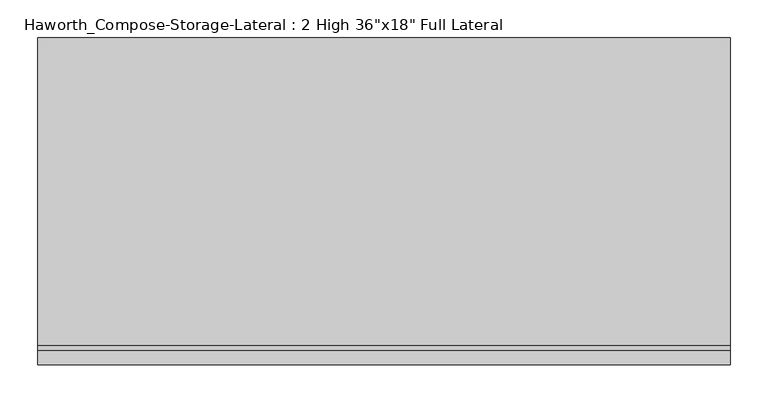
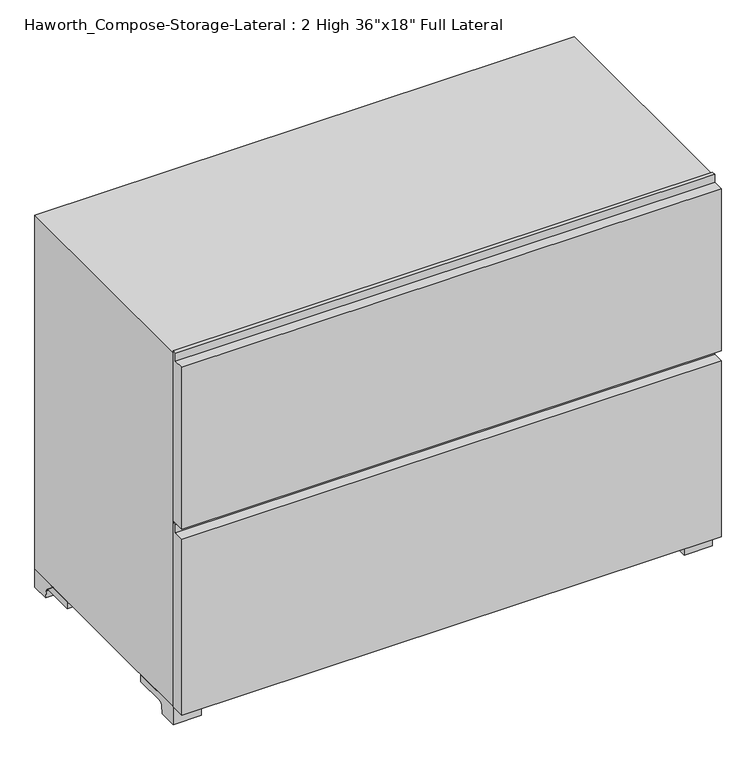
"""IFC4 building model written with IfcOpenShell, lengths in millimetres: furniture geometry."""

import ifcopenshell
import ifcopenshell.guid

model = None  # the IFC model being written
_history = None  # IfcOwnerHistory: only IFC2X3 demands one
_inside = {}  # id of a spatial element -> (the spatial element, [elements in it])
_under = {}  # id of a project, library or spatial element -> (it, [spatial elements below it])
_declared = {}  # id of a project -> (the project, [libraries it declares])
_typed = {}  # id of a type object -> (the type object, [elements of that type])
_made_of = {}  # id of a material, layer set ... -> (it, [elements and type objects made of it])


def new_model(schema):
    """Start an empty IFC model of exactly this schema.

    Asked for "IFC4X3", IfcOpenShell would pick the latest addendum, in which some entities
    have other attributes; the version numbers below select the first issue.
    IFC2X3 requires an IfcOwnerHistory on every rooted entity: one is made here for all.
    """
    global model, _history
    if schema == "IFC4X3":
        model = ifcopenshell.file(schema_version=(4, 3, 0, 0))
    else:
        model = ifcopenshell.file(schema=schema)
    _inside.clear()
    _under.clear()
    _declared.clear()
    _typed.clear()
    _made_of.clear()
    _history = None
    if model.schema == "IFC2X3":
        org = make("IfcOrganization", Name="unknown")
        user = make(
            "IfcPersonAndOrganization",
            ThePerson=make("IfcPerson", FamilyName="unknown"),
            TheOrganization=org,
        )
        app = make(
            "IfcApplication",
            ApplicationDeveloper=org,
            Version="unknown",
            ApplicationFullName="unknown",
            ApplicationIdentifier="unknown",
        )
        _history = make(
            "IfcOwnerHistory",
            OwningUser=user,
            OwningApplication=app,
            ChangeAction="ADDED",
            CreationDate=0,
        )
    return model


def make(cls, **values):
    """One entity of the class cls with the attributes given. An attribute that is None is left unset."""
    return model.create_entity(
        cls, **{name: value for name, value in values.items() if value is not None}
    )


def rooted(cls, **values):
    """An entity with a GlobalId (a new one), such as an element, a storey or a relation."""
    return make(cls, GlobalId=ifcopenshell.guid.new(), OwnerHistory=_history, **values)


def si_unit(unit_type, name, prefix=None):
    """IfcSIUnit, for example si_unit("LENGTHUNIT", "METRE", prefix="MILLI")."""
    return make("IfcSIUnit", UnitType=unit_type, Prefix=prefix, Name=name)


def assignment(units):
    """IfcUnitAssignment: the units of a project."""
    return None if units is None else make("IfcUnitAssignment", Units=units)


def point(xyz):
    """IfcCartesianPoint."""
    return None if xyz is None else make("IfcCartesianPoint", Coordinates=xyz)


def direction(xyz):
    """IfcDirection."""
    return None if xyz is None else make("IfcDirection", DirectionRatios=xyz)


def frame(location, z_axis=None, x_axis=None):
    """IfcAxis2Placement3D, a coordinate frame: its origin and axes. An axis left out is left unset."""
    return make(
        "IfcAxis2Placement3D",
        Location=point(location),
        Axis=direction(z_axis),
        RefDirection=direction(x_axis),
    )


def frame_2d(location, x_axis=None):
    """IfcAxis2Placement2D, a coordinate frame in the plane: its origin and x axis."""
    return make(
        "IfcAxis2Placement2D", Location=point(location), RefDirection=direction(x_axis)
    )


def origin():
    """The frame at (0, 0, 0) with its axes left unset."""
    return frame((0.0, 0.0, 0.0))


def place(relative_to, where):
    """IfcLocalPlacement: puts the frame where relative to a parent placement (None: the world)."""
    return make(
        "IfcLocalPlacement", PlacementRelTo=relative_to, RelativePlacement=where
    )


def context(
    kind, dimensions, precision=None, world=None, true_north=None, identifier=None
):
    """IfcGeometricRepresentationContext, for example the 3D "Model" context."""
    return make(
        "IfcGeometricRepresentationContext",
        ContextIdentifier=identifier,
        ContextType=kind,
        CoordinateSpaceDimension=dimensions,
        Precision=precision,
        WorldCoordinateSystem=world,
        TrueNorth=true_north,
    )


def project(units=None, contexts=None):
    """IfcProject with its units and contexts."""
    return rooted(
        "IfcProject",
        Name="project",
        RepresentationContexts=contexts,
        UnitsInContext=assignment(units),
    )


def spatial(cls, under=None, at=None, **own):
    """A site, building, storey or space (cls), placed at a placement, below another one or the project."""
    s = rooted(cls, ObjectPlacement=at, **own)
    if under is not None:
        _under.setdefault(under.id(), (under, []))[1].append(s)
    return s


def polyline(points):
    """IfcPolyline through the points."""
    return make("IfcPolyline", Points=[point(p) for p in points])


def circle_curve(where, radius):
    """IfcCircle in the frame where."""
    return make("IfcCircle", Position=where, Radius=radius)


def trimmed(basis, trim1, trim2, sense, master):
    """IfcTrimmedCurve: the piece of a basis curve between two trims."""
    return make(
        "IfcTrimmedCurve",
        BasisCurve=basis,
        Trim1=trim1,
        Trim2=trim2,
        SenseAgreement=sense,
        MasterRepresentation=master,
    )


def segment(curve, same_sense, transition):
    """IfcCompositeCurveSegment."""
    return make(
        "IfcCompositeCurveSegment",
        Transition=transition,
        SameSense=same_sense,
        ParentCurve=curve,
    )


def composite_curve(segments, self_intersect=None):
    """IfcCompositeCurve: segments joined end to end."""
    return make("IfcCompositeCurve", Segments=segments, SelfIntersect=self_intersect)


def outline(outer, holes=None, kind="AREA"):
    """IfcArbitraryClosedProfileDef: a profile drawn as a closed curve; with holes, ...WithVoids."""
    if holes is None:
        return make("IfcArbitraryClosedProfileDef", ProfileType=kind, OuterCurve=outer)
    return make(
        "IfcArbitraryProfileDefWithVoids",
        ProfileType=kind,
        OuterCurve=outer,
        InnerCurves=holes,
    )


def extrude(swept, where, along, depth):
    """IfcExtrudedAreaSolid: the profile swept, set in the frame where, extruded along a direction by depth."""
    return make(
        "IfcExtrudedAreaSolid",
        SweptArea=swept,
        Position=where,
        ExtrudedDirection=direction(along),
        Depth=depth,
    )


def shape(context_of_items, identifier, shape_type, items):
    """IfcShapeRepresentation: the items that make up one representation, for example the "Body"."""
    return make(
        "IfcShapeRepresentation",
        ContextOfItems=context_of_items,
        RepresentationIdentifier=identifier,
        RepresentationType=shape_type,
        Items=items,
    )


def source(mapping_origin, context_of_items, identifier, shape_type, items):
    """IfcRepresentationMap: a shape defined once, which mapped items show again and again."""
    return make(
        "IfcRepresentationMap",
        MappingOrigin=mapping_origin,
        MappedRepresentation=shape(context_of_items, identifier, shape_type, items),
    )


def transform(
    local_origin,
    x_axis=None,
    y_axis=None,
    z_axis=None,
    scale=None,
    scale2=None,
    scale3=None,
    uniform=True,
):
    """IfcCartesianTransformationOperator3D, or its non-uniform kind. x_axis, y_axis, z_axis: its Axis1, 2, 3."""
    if uniform:
        return make(
            "IfcCartesianTransformationOperator3D",
            Axis1=direction(x_axis),
            Axis2=direction(y_axis),
            LocalOrigin=point(local_origin),
            Scale=scale,
            Axis3=direction(z_axis),
        )
    return make(
        "IfcCartesianTransformationOperator3DnonUniform",
        Axis1=direction(x_axis),
        Axis2=direction(y_axis),
        LocalOrigin=point(local_origin),
        Scale=scale,
        Axis3=direction(z_axis),
        Scale2=scale2,
        Scale3=scale3,
    )


def mapped(mapping_source, mapping_target):
    """IfcMappedItem: shows the shape of a source again, moved by a transform."""
    return make(
        "IfcMappedItem", MappingSource=mapping_source, MappingTarget=mapping_target
    )


def made_of(thing, what):
    """Note that an element or type object is made of a material, layer set ...; save() writes the relation."""
    if what is not None:
        _made_of.setdefault(what.id(), (what, []))[1].append(thing)
    return thing


def element(
    cls,
    number,
    at=None,
    inside=None,
    cuts=None,
    type_object=None,
    material=None,
    context=None,
    identifier="Body",
    shape_type=None,
    held_by="IfcProductDefinitionShape",
    body=None,
    shapes=None,
    **own,
):
    """One element of the class cls, such as IfcWall. Its Tag is "e" and its number.

    at: its placement. inside: the storey or other place that contains it. cuts: it is an
    opening in that element (IfcRelVoidsElement). A single representation is given by context,
    identifier, shape_type and body (its items); several are given by shapes. held_by: the class
    of the entity that holds the representations. save() writes the other relations.
    """
    e = rooted(cls, Tag="e%d" % number, ObjectPlacement=at, **own)
    if body is not None:
        shapes = [shape(context, identifier, shape_type, body)]
    if shapes is not None:
        e.Representation = make(held_by, Representations=shapes)
    if inside is not None:
        _inside.setdefault(inside.id(), (inside, []))[1].append(e)
    if cuts is not None:
        rooted(
            "IfcRelVoidsElement", RelatingBuildingElement=cuts, RelatedOpeningElement=e
        )
    if type_object is not None:
        _typed.setdefault(type_object.id(), (type_object, []))[1].append(e)
    return made_of(e, material)


def aggregate(whole, parts):
    """IfcRelAggregates: a whole, such as a stair, and the parts it consists of."""
    return rooted("IfcRelAggregates", RelatingObject=whole, RelatedObjects=parts)


def save(model, path):
    """Write the relations noted so far, then the file.

    IfcRelAggregates (storeys below a building ...), IfcRelContainedInSpatialStructure (elements
    in a storey), IfcRelDefinesByType, IfcRelAssociatesMaterial and IfcRelDeclares: one each for
    every whole, place, type object, material and project.
    """
    for whole, parts in _under.values():
        aggregate(whole, parts)
    for where, things in _inside.values():
        rooted(
            "IfcRelContainedInSpatialStructure",
            RelatedElements=things,
            RelatingStructure=where,
        )
    for kind, things in _typed.values():
        rooted("IfcRelDefinesByType", RelatedObjects=things, RelatingType=kind)
    for what, things in _made_of.values():
        rooted("IfcRelAssociatesMaterial", RelatedObjects=things, RelatingMaterial=what)
    for by, libraries in _declared.values():
        rooted("IfcRelDeclares", RelatingContext=by, RelatedDefinitions=libraries)
    model.write(path)


def furniture_7239335a(model_context):
    return source(origin(), model_context, "Body", "SweptSolid", [
        extrude(outline(polyline([(-152.4, 365.125), (-177.8, 365.125), (-177.8, 655.6375), (-158.75, 655.6375), (-158.75, 669.925), (-152.4, 669.925), (-152.4, 365.125)])), frame((-457.1861094, 0.0, 0.0), z_axis=(1.0, 0.0, 0.0), x_axis=(0.0, 1.0, 0.0)), (0.0, 0.0, 1.0), 914.4),
        extrude(outline(polyline([(-152.4, 31.75), (-177.8, 31.75), (-177.8, 347.6625), (-158.75, 347.6625), (-158.75, 361.95), (-152.4, 361.95), (-152.4, 31.75)])), frame((-457.1861094, 0.0, 0.0), z_axis=(1.0, 0.0, 0.0), x_axis=(0.0, 1.0, 0.0)), (0.0, 0.0, 1.0), 914.4),
        extrude(outline(composite_curve([segment(polyline([(-120.65, 0.0), (-152.4, 0.0), (-152.4, 31.75), (-57.15, 31.75), (-57.15, 19.05), (-112.1833333, 19.05)]), True, "CONTINUOUS"), segment(trimmed(circle_curve(frame_2d((-112.1833333, 12.7)), 6.35), [point((-112.1833333, 19.05))], [point((-118.5333333, 12.7))], True, "CARTESIAN"), True, "CONTINUOUS"), segment(polyline([(-118.5333333, 12.7), (-120.65, 0.0)]), True, "CONTINUOUS")], self_intersect=False)), frame((409.5888906, 0.0, 0.0), z_axis=(1.0, 0.0, 0.0), x_axis=(0.0, 1.0, 0.0)), (0.0, 0.0, 1.0), 47.625),
        extrude(outline(composite_curve([segment(polyline([(222.25, 0.0), (220.1333333, 12.7)]), True, "CONTINUOUS"), segment(trimmed(circle_curve(frame_2d((213.7833333, 12.7)), 6.35), [point((220.1333333, 12.7))], [point((213.7833333, 19.05))], True, "CARTESIAN"), True, "CONTINUOUS"), segment(polyline([(213.7833333, 19.05), (158.75, 19.05), (158.75, 31.75), (254.0, 31.75), (254.0, 0.0), (222.25, 0.0)]), True, "CONTINUOUS")], self_intersect=False)), frame((409.5888906, 0.0, 0.0), z_axis=(1.0, 0.0, 0.0), x_axis=(0.0, 1.0, 0.0)), (0.0, 0.0, 1.0), 47.625),
        extrude(outline(composite_curve([segment(polyline([(-120.65, 0.0), (-152.4, 0.0), (-152.4, 31.75), (-57.15, 31.75), (-57.15, 19.05), (-112.1833333, 19.05)]), True, "CONTINUOUS"), segment(trimmed(circle_curve(frame_2d((-112.1833333, 12.7)), 6.35), [point((-112.1833333, 19.05))], [point((-118.5333333, 12.7))], True, "CARTESIAN"), True, "CONTINUOUS"), segment(polyline([(-118.5333333, 12.7), (-120.65, 0.0)]), True, "CONTINUOUS")], self_intersect=False)), frame((-457.1861094, 0.0, 0.0), z_axis=(1.0, 0.0, 0.0), x_axis=(0.0, 1.0, 0.0)), (0.0, 0.0, 1.0), 47.625),
        extrude(outline(composite_curve([segment(polyline([(222.25, 0.0), (220.1333333, 12.7)]), True, "CONTINUOUS"), segment(trimmed(circle_curve(frame_2d((213.7833333, 12.7)), 6.35), [point((220.1333333, 12.7))], [point((213.7833333, 19.05))], True, "CARTESIAN"), True, "CONTINUOUS"), segment(polyline([(213.7833333, 19.05), (158.75, 19.05), (158.75, 31.75), (254.0, 31.75), (254.0, 0.0), (222.25, 0.0)]), True, "CONTINUOUS")], self_intersect=False)), frame((-457.1861094, 0.0, 0.0), z_axis=(1.0, 0.0, 0.0), x_axis=(0.0, 1.0, 0.0)), (0.0, 0.0, 1.0), 47.625),
        extrude(outline(polyline([(31.75, -457.1861094), (31.75, 457.2), (666.75, 457.2), (666.75, -457.1861094), (31.75, -457.1861094)]), holes=[polyline([(50.8, -438.1361094), (647.7, -438.1361094), (647.7, 438.1361094), (50.8, 438.1361094), (50.8, -438.1361094)])]), frame((0.0, -152.4, 0.0), z_axis=(0.0, 1.0, 0.0), x_axis=(0.0, 0.0, 1.0)), (0.0, 0.0, 1.0), 406.4),
        extrude(outline(polyline([(-438.1291641, 219.075), (-438.1291641, 228.6), (438.1569453, 228.6), (438.1569453, 219.075), (-438.1291641, 219.075)])), frame((0.0, 0.0, 50.8), z_axis=(0.0, 0.0, 1.0), x_axis=(1.0, 0.0, 0.0)), (0.0, 0.0, 1.0), 596.9),
    ])


if __name__ == "__main__":
    model = new_model("IFC4")
    model_context = context("Model", 3, world=origin())
    ifc_project = project(units=[si_unit("LENGTHUNIT", "METRE", prefix="MILLI")], contexts=[model_context])
    site = spatial("IfcSite", under=ifc_project)
    building = spatial("IfcBuilding", under=site)
    placement = place(None, origin())
    furniture_shape = furniture_7239335a(model_context)
    element("IfcFurniture", 1, ObjectType="Haworth_Compose-Storage-Lateral : 2 High 36\"x18\" Full Lateral", at=placement, inside=building, context=model_context, shape_type="MappedRepresentation", body=[
        mapped(furniture_shape, transform((0.0, 0.0, 0.0), x_axis=(1.0, 0.0, 0.0), y_axis=(0.0, 1.0, 0.0), z_axis=(0.0, 0.0, 1.0))),
    ])
    save(model, "model.ifc")
